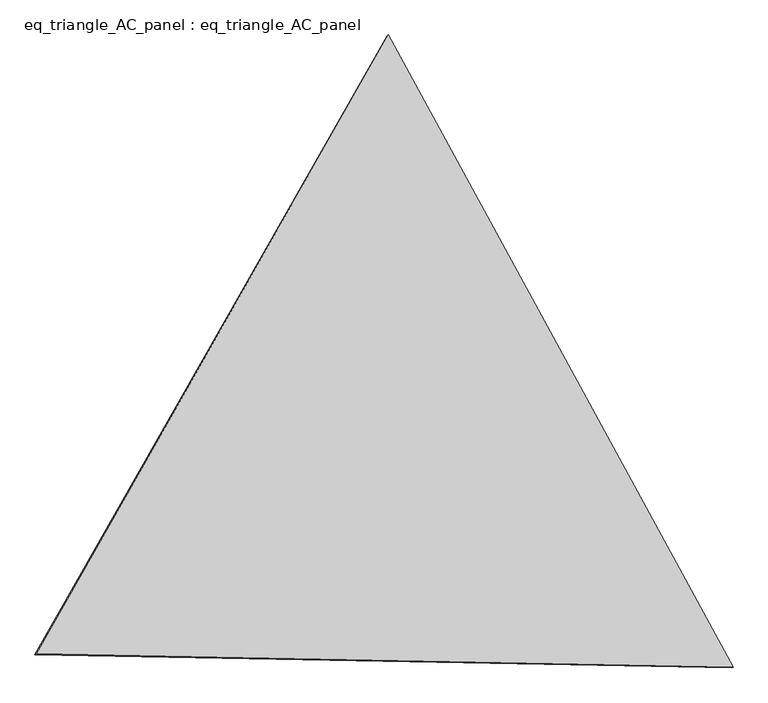
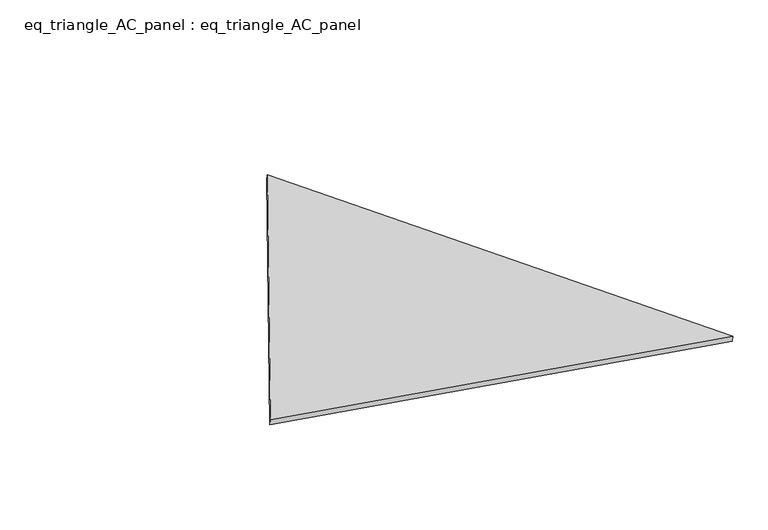
"""IFC4 building model written with IfcOpenShell, lengths in millimetres: proxy geometry, eq_triangle_AC_panel : eq_triangle_AC_panel."""

from ifc_helpers import new_model, si_unit, frame, origin, place, context, project, spatial, polyline, outline, extrude, source, transform, mapped, element, save


def eq_triangle_ac_panel_eq_triangle_ac_panel_05e27bd9(model_context):
    return source(origin(), model_context, "Body", "SweptSolid", [
        extrude(outline(polyline([(-2091.2678281, 1173.1712295), (2032.847065, 1173.1712294), (58.420763, -2346.342459), (-2091.2678281, 1173.1712295)])), frame((0.0038051, 527.9290861, 89.8240019), z_axis=(0.14526328518058182, 0.08386570281802189, 0.9858321976225894), x_axis=(0.47859711926695775, -0.8780247070051599, 0.0041726871285140115)), (0.0, 0.0, 1.0), 43.8306294),
    ])


if __name__ == "__main__":
    model = new_model("IFC4")
    model_context = context("Model", 3, world=origin())
    ifc_project = project(units=[si_unit("LENGTHUNIT", "METRE", prefix="MILLI")], contexts=[model_context])
    site = spatial("IfcSite", under=ifc_project)
    building = spatial("IfcBuilding", under=site)
    placement = place(None, origin())
    eq_triangle_ac_panel_eq_triangle_ac_panel_shape = eq_triangle_ac_panel_eq_triangle_ac_panel_05e27bd9(model_context)
    element("IfcBuildingElementProxy", 1, Name="eq_triangle_AC_panel : eq_triangle_AC_panel", ObjectType="eq_triangle_AC_panel : eq_triangle_AC_panel", at=placement, inside=building, context=model_context, shape_type="MappedRepresentation", body=[
        mapped(eq_triangle_ac_panel_eq_triangle_ac_panel_shape, transform((0.0, 0.0, 0.0), x_axis=(1.0, 0.0, 0.0), y_axis=(0.0, 1.0, 0.0), z_axis=(0.0, 0.0, 1.0))),
    ])
    save(model, "model.ifc")
